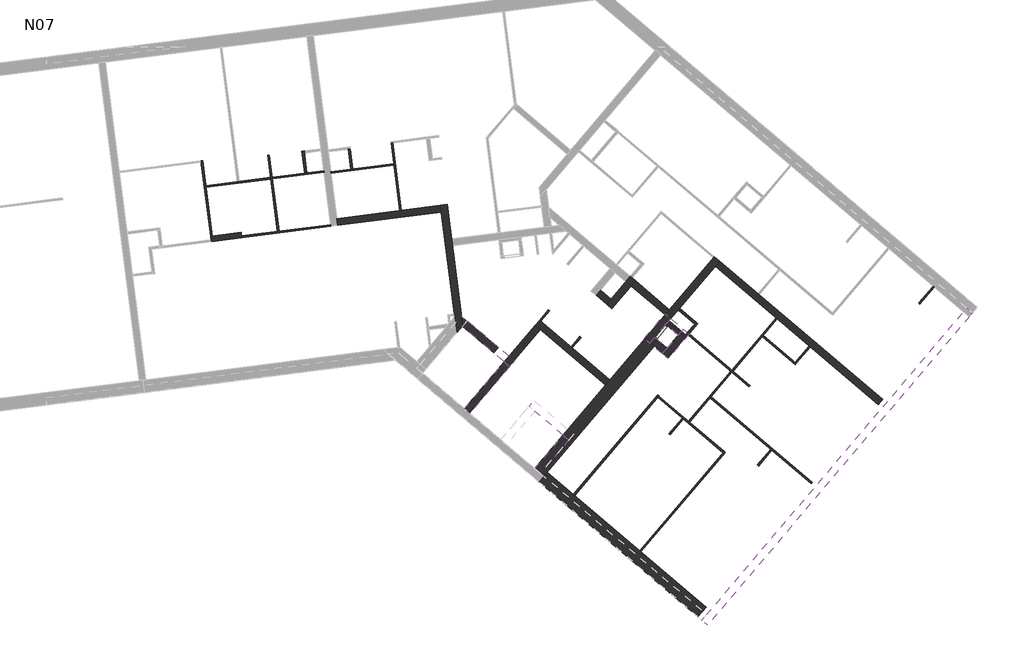
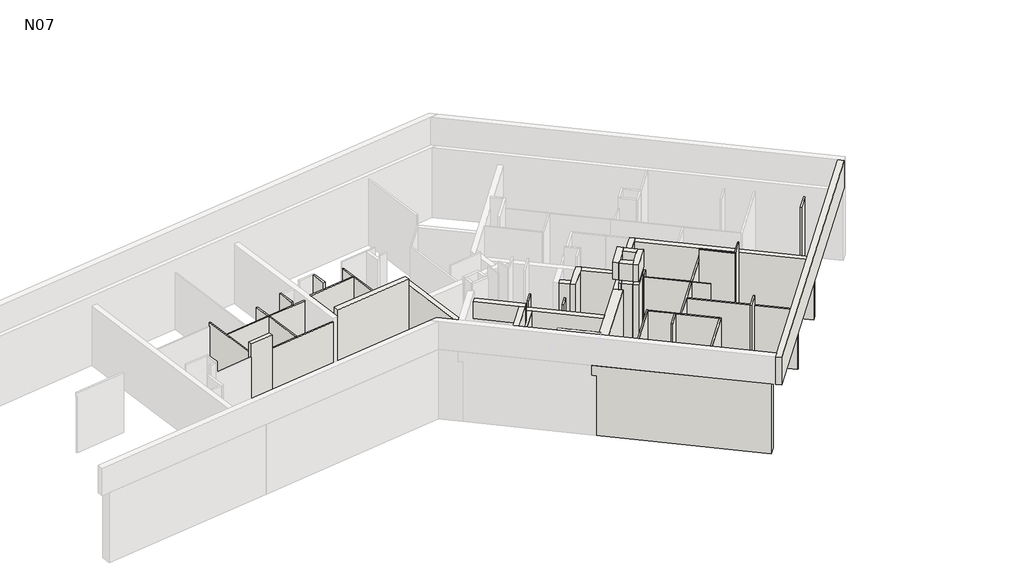
# One storey, part 2 of 3: 50 walls.
"""IFC4 building model written with IfcOpenShell, lengths in millimetres."""

from ifc_helpers import new_model, si_unit, frame, origin, place, context, project, spatial, polyline, outline, extrude, faceted_brep, element, save

model = new_model("IFC4")

# Units and contexts
model_context = context("Model", 3, world=origin())
ifc_project = project(units=[si_unit("LENGTHUNIT", "METRE", prefix="MILLI")], contexts=[model_context])

# Site, building, storey
site = spatial("IfcSite", under=ifc_project)
building = spatial("IfcBuilding", under=site)
storey = spatial("IfcBuildingStorey", under=building, Name="N07", Elevation=19690.0)

# Walls
placement = place(None, origin())
element("IfcWall", 1, at=placement, inside=storey, context=model_context, shape_type="Brep", body=[
    faceted_brep([(15215.3544939, 6653.9636162, 19690.0), (11367.5193396, 9919.5978659, 19690.0), (11329.3978147, 9951.9513718, 19690.0), (10566.9673175, 10599.0214892, 19690.0), (10566.9673175, 10599.0214892, 22190.0), (10433.5419804, 10712.2587597, 22190.0), (10433.5419804, 10712.2587597, 22610.0), (15215.3544939, 6653.9636162, 22610.0), (10327.551374, 10316.9222052, 19690.0), (14975.9385505, 6371.8643322, 19690.0), (14975.9385505, 6371.8643322, 22610.0), (10194.126037, 10430.1594757, 22610.0), (10194.126037, 10430.1594757, 22190.0), (10327.551374, 10316.9222052, 22190.0), (10469.9067999, 10484.6569146, 19690.0), (10336.4814628, 10597.8941851, 22610.0), (10336.4814628, 10597.8941851, 22190.0), (10469.9067999, 10484.6569146, 22190.0)], [[[0, 1, 2, 3, 4, 5, 6, 7]], [[8, 9, 10, 11, 12, 13]], [[3, 2, 1, 0, 9, 8, 14]], [[7, 6, 15, 11, 10]], [[11, 15, 6, 5, 16, 12]], [[4, 3, 14, 8, 13, 17]], [[12, 16, 5, 4, 17, 13]], [[0, 7, 10, 9]]]),
])
element("IfcWall", 2, at=placement, inside=storey, context=model_context, shape_type="Brep", body=[
    faceted_brep([(7448.5900764, 18403.1253969, 19690.0), (7473.9455369, 18204.7391559, 19690.0), (7854.1474738, 15229.9624634, 19690.0), (7860.4863389, 15180.3659032, 19690.0), (7865.2890942, 15142.7881766, 19690.0), (7925.3724793, 14672.6836444, 19690.0), (7925.3724793, 14672.6836444, 22190.0), (7865.2890942, 15142.7881766, 22190.0), (7448.5900764, 18403.1253969, 22190.0), (7646.9763174, 18428.4808575, 19690.0), (7646.9763174, 18428.4808575, 22190.0), (7775.7214118, 17421.1532528, 22190.0), (7801.0768724, 17222.7670118, 22190.0), (8100.609629, 14879.1622679, 22190.0), (8100.609629, 14879.1622679, 19690.0), (7801.0768724, 17222.7670118, 19690.0), (7775.7214118, 17421.1532528, 19690.0)], [[[0, 1, 2, 3, 4, 5, 6, 7, 8]], [[9, 10, 11, 12, 13, 14, 15, 16]], [[5, 4, 3, 2, 1, 0, 9, 16, 15, 14]], [[8, 7, 6, 13, 12, 11, 10]], [[0, 8, 10, 9]], [[5, 14, 13, 6]]]),
])
element("IfcWall", 3, at=placement, inside=storey, context=model_context, shape_type="Brep", body=[
    faceted_brep([(10469.9067999, 10484.6569146, 19690.0), (10566.9673175, 10599.0214892, 19690.0), (13700.7356476, 14291.4815212, 19690.0), (13700.7356476, 14291.4815212, 22190.0), (10566.9673175, 10599.0214892, 22190.0), (10469.9067999, 10484.6569146, 22190.0), (13433.8849736, 14517.9560622, 19690.0), (12403.0945249, 13303.3951464, 19690.0), (12273.6805015, 13150.909047, 19690.0), (10203.0561258, 10711.1314557, 19690.0), (10203.0561258, 10711.1314557, 22190.0), (12273.6805015, 13150.909047, 22190.0), (12403.0945249, 13303.3951464, 22190.0), (13433.8849736, 14517.9560622, 22190.0), (13586.371073, 14388.5420388, 19690.0), (13647.3655128, 14336.7764294, 19690.0), (13586.371073, 14388.5420388, 22190.0), (10336.4814628, 10597.8941851, 22190.0)], [[[0, 1, 2, 3, 4, 5]], [[6, 7, 8, 9, 10, 11, 12, 13]], [[2, 1, 0, 9, 8, 7, 6, 14, 15]], [[5, 4, 3, 16, 13, 12, 11, 10, 17]], [[0, 5, 17, 10, 9]], [[3, 2, 15, 14, 6, 13, 16]]]),
])
element("IfcWall", 4, at=placement, inside=storey, context=model_context, shape_type="Brep", body=[
    faceted_brep([(13586.371073, 14388.5420388, 19690.0), (14039.3201552, 14922.2433869, 19690.0), (14091.0857646, 14983.2378266, 19690.0), (14136.3806728, 15036.6079614, 19690.0), (14395.2087198, 15341.5801604, 19690.0), (14440.503628, 15394.9502952, 19690.0), (15481.5822592, 16621.6335821, 19690.0), (15610.9962826, 16774.1196816, 19690.0), (15610.9962826, 16774.1196816, 22190.0), (15481.5822592, 16621.6335821, 22190.0), (14440.503628, 15394.9502952, 22190.0), (14395.2087198, 15341.5801604, 22190.0), (14136.3806728, 15036.6079614, 22190.0), (14091.0857646, 14983.2378266, 22190.0), (13586.371073, 14388.5420388, 22190.0), (13433.8849736, 14517.9560622, 19690.0), (13433.8849736, 14517.9560622, 22190.0), (14014.2991172, 15201.8470847, 22190.0), (14143.7131407, 15354.3331841, 22190.0), (15426.1566773, 16865.4121802, 22190.0), (15458.5101832, 16903.533705, 22190.0), (15458.5101832, 16903.533705, 19690.0), (15426.1566773, 16865.4121802, 19690.0), (14143.7131407, 15354.3331841, 19690.0), (14014.2991172, 15201.8470847, 19690.0)], [[[0, 1, 2, 3, 4, 5, 6, 7, 8, 9, 10, 11, 12, 13, 14]], [[15, 16, 17, 18, 19, 20, 21, 22, 23, 24]], [[7, 6, 5, 4, 3, 2, 1, 0, 15, 24, 23, 22, 21]], [[14, 13, 12, 11, 10, 9, 8, 20, 19, 18, 17, 16]], [[0, 14, 16, 15]], [[8, 7, 21, 20]]]),
])
element("IfcWall", 5, at=placement, inside=storey, context=model_context, shape_type="Brep", body=[
    faceted_brep([(20373.7480337, 12732.0012909, 19690.0), (16767.330468, 15792.7459043, 19690.0), (16729.2089431, 15825.0994101, 19690.0), (15610.9962826, 16774.1196816, 19690.0), (15610.9962826, 16774.1196816, 22190.0), (16729.2089431, 15825.0994101, 22190.0), (16767.330468, 15792.7459043, 22190.0), (20373.7480337, 12732.0012909, 22190.0), (15481.5822592, 16621.6335821, 19690.0), (17258.0453178, 15113.9602086, 19690.0), (17296.1668427, 15081.6067027, 19690.0), (18223.8931924, 14294.2510025, 19690.0), (18262.0147173, 14261.8974967, 19690.0), (20244.3340102, 12579.5151915, 19690.0), (20244.3340102, 12579.5151915, 22190.0), (17296.1668427, 15081.6067027, 22190.0), (17258.0453178, 15113.9602086, 22190.0), (15481.5822592, 16621.6335821, 22190.0)], [[[0, 1, 2, 3, 4, 5, 6, 7]], [[8, 9, 10, 11, 12, 13, 14, 15, 16, 17]], [[3, 2, 1, 0, 13, 12, 11, 10, 9, 8]], [[7, 6, 5, 4, 17, 16, 15, 14]], [[0, 7, 14, 13]], [[4, 3, 8, 17]]]),
])
element("IfcWall", 6, at=placement, inside=storey, context=model_context, shape_type="SweptSolid", body=[
    extrude(outline(polyline([(13150.4986542, 16197.2682669), (14143.7131407, 15354.3331841), (14014.2991172, 15201.8470847), (13021.0846307, 16044.7821675), (13150.4986542, 16197.2682669)])), frame((0.0, 0.0, 19690.0), z_axis=(0.0, 0.0, 1.0), x_axis=(1.0, 0.0, 0.0)), (0.0, 0.0, 1.0), 2500.0),
])
element("IfcWall", 7, at=placement, inside=storey, context=model_context, shape_type="Brep", body=[
    faceted_brep([(12403.0945249, 13303.3951464, 19690.0), (11305.1946088, 14235.1761155, 19690.0), (11267.073084, 14267.5296214, 19690.0), (10382.6537071, 15018.1309575, 19690.0), (10344.5321823, 15050.4844634, 19690.0), (10344.5321823, 15050.4844634, 22190.0), (12403.0945249, 13303.3951464, 22190.0), (12273.6805015, 13150.909047, 19690.0), (12273.6805015, 13150.909047, 22190.0), (10367.6042582, 14768.5843405, 22190.0), (10215.1181588, 14897.9983639, 22190.0), (10215.1181588, 14897.9983639, 19690.0), (10367.6042582, 14768.5843405, 19690.0)], [[[0, 1, 2, 3, 4, 5, 6]], [[7, 8, 9, 10, 11, 12]], [[4, 3, 2, 1, 0, 7, 12, 11]], [[6, 5, 10, 9, 8]], [[5, 4, 11, 10]], [[0, 6, 8, 7]]]),
])
element("IfcWall", 8, at=placement, inside=storey, context=model_context, shape_type="SweptSolid", body=[
    extrude(outline(polyline([(8144.4937831, 12458.2207726), (10215.1181588, 14897.9983639), (10367.6042582, 14768.5843405), (8296.9798826, 12328.8067492), (8144.4937831, 12458.2207726)])), frame((0.0, 0.0, 19690.0), z_axis=(0.0, 0.0, 1.0), x_axis=(1.0, 0.0, 0.0)), (0.0, 0.0, 1.0), 2500.0),
])
element("IfcWall", 9, at=placement, inside=storey, context=model_context, shape_type="SweptSolid", body=[
    extrude(outline(polyline([(9004.2649387, 14089.4091654), (8089.348342, 14865.8933062), (8100.609629, 14879.1622679), (8066.276266, 15147.7934292), (9133.6789622, 14241.8952648), (9004.2649387, 14089.4091654)])), frame((0.0, 0.0, 19690.0), z_axis=(0.0, 0.0, 1.0), x_axis=(1.0, 0.0, 0.0)), (0.0, 0.0, 1.0), 2500.0),
])
element("IfcWall", 10, at=placement, inside=storey, context=model_context, shape_type="Brep", body=[
    faceted_brep([(22836.6383284, 15402.1642697, 22610.0), (15232.6585509, 6442.538524, 22610.0), (15090.3031251, 6274.8038146, 22610.0), (15090.3031251, 6274.8038146, 23770.0), (15232.6585509, 6442.538524, 23770.0), (22836.6383284, 15402.1642697, 23770.0), (23004.3730378, 15259.8088439, 22610.0), (23004.3730378, 15259.8088439, 23770.0), (15258.0378345, 6132.4483887, 23770.0), (15258.0378345, 6132.4483887, 22610.0), (22907.3125202, 15145.4442693, 22610.0)], [[[0, 1, 2, 3, 4, 5]], [[6, 7, 8, 9, 10]], [[2, 1, 0, 6, 10, 9]], [[5, 4, 3, 8, 7]], [[0, 5, 7, 6]], [[3, 2, 9, 8]]]),
])
element("IfcWall", 11, at=placement, inside=storey, context=model_context, shape_type="Brep", body=[
    faceted_brep([(4446.7042459, 17817.8317941, 19690.0), (7473.9455369, 18204.7391559, 19690.0), (7473.9455369, 18204.7391559, 22460.0), (4446.7042459, 17817.8317941, 22460.0), (4446.7042459, 17817.8317941, 22190.0), (4421.3487853, 18016.2180351, 19690.0), (4421.3487853, 18016.2180351, 22460.0), (7448.5900764, 18403.1253969, 22460.0), (7448.5900764, 18403.1253969, 22190.0), (7448.5900764, 18403.1253969, 19690.0)], [[[0, 1, 2, 3, 4]], [[5, 6, 7, 8, 9]], [[1, 0, 5, 9]], [[3, 2, 7, 6]], [[0, 4, 3, 6, 5]], [[2, 1, 9, 8, 7]]]),
])
element("IfcWall", 12, at=placement, inside=storey, context=model_context, shape_type="Brep", body=[
    faceted_brep([(14457.0524033, 14672.6441703, 19690.0), (14091.0857646, 14983.2378266, 19690.0), (14091.0857646, 14983.2378266, 22460.0), (14457.0524033, 14672.6441703, 22460.0), (14405.2867939, 14611.6497305, 19690.0), (14405.2867939, 14611.6497305, 22460.0), (14100.314595, 14870.4777775, 22460.0), (14039.3201552, 14922.2433869, 22460.0), (14039.3201552, 14922.2433869, 19690.0), (14100.314595, 14870.4777775, 19690.0)], [[[0, 1, 2, 3]], [[4, 5, 6, 7, 8, 9]], [[1, 0, 4, 9, 8]], [[3, 2, 7, 6, 5]], [[0, 3, 5, 4]], [[2, 1, 8, 7]]]),
])
element("IfcWall", 13, at=placement, inside=storey, context=model_context, shape_type="Brep", body=[
    faceted_brep([(14039.3201552, 14922.2433869, 19690.0), (13586.371073, 14388.5420388, 19690.0), (13586.371073, 14388.5420388, 22460.0), (14039.3201552, 14922.2433869, 22460.0), (14019.9080517, 14899.3704719, 21190.0), (13728.7264989, 14556.2767482, 21190.0), (13728.7264989, 14556.2767482, 20190.0), (14019.9080517, 14899.3704719, 20190.0), (13647.3655128, 14336.7764294, 22460.0), (13647.3655128, 14336.7764294, 19690.0), (13776.7795363, 14489.2625288, 19690.0), (14100.314595, 14870.4777775, 19690.0), (14100.314595, 14870.4777775, 22460.0), (13776.7795363, 14489.2625288, 22460.0), (13789.7209386, 14504.5111388, 21190.0), (14080.9024915, 14847.6048625, 21190.0), (14080.9024915, 14847.6048625, 20190.0), (13789.7209386, 14504.5111388, 20190.0)], [[[0, 1, 2, 3], [4, 5, 6, 7]], [[8, 9, 10, 11, 12, 13], [14, 15, 16, 17]], [[1, 0, 11, 10, 9]], [[3, 2, 8, 13, 12]], [[4, 15, 14, 5]], [[6, 17, 16, 7]], [[15, 4, 7, 16]], [[5, 14, 17, 6]], [[0, 3, 12, 11]], [[1, 9, 8, 2]]]),
])
element("IfcWall", 14, at=placement, inside=storey, context=model_context, shape_type="Brep", body=[
    faceted_brep([(13952.3377117, 14077.9483824, 22460.0), (13647.3655128, 14336.7764294, 22460.0), (13647.3655128, 14336.7764294, 22190.0), (13647.3655128, 14336.7764294, 19690.0), (13700.7356476, 14291.4815212, 19690.0), (13952.3377117, 14077.9483824, 19690.0), (14081.7517352, 14230.4344819, 19690.0), (13776.7795363, 14489.2625288, 19690.0), (13776.7795363, 14489.2625288, 22460.0), (14081.7517352, 14230.4344819, 22460.0)], [[[0, 1, 2, 3, 4, 5]], [[6, 7, 8, 9]], [[7, 6, 5, 4, 3]], [[1, 0, 9, 8]], [[0, 5, 6, 9]], [[1, 8, 7, 3, 2]]]),
])
element("IfcWall", 15, at=placement, inside=storey, context=model_context, shape_type="Brep", body=[
    faceted_brep([(14104.8238112, 13948.5343589, 19690.0), (14609.5385027, 14543.2301468, 19690.0), (14609.5385027, 14543.2301468, 22460.0), (14104.8238112, 13948.5343589, 22460.0), (13952.3377117, 14077.9483824, 19690.0), (13952.3377117, 14077.9483824, 22460.0), (14081.7517352, 14230.4344819, 22460.0), (14405.2867939, 14611.6497305, 22460.0), (14457.0524033, 14672.6441703, 22460.0), (14457.0524033, 14672.6441703, 19690.0), (14405.2867939, 14611.6497305, 19690.0), (14081.7517352, 14230.4344819, 19690.0)], [[[0, 1, 2, 3]], [[4, 5, 6, 7, 8, 9, 10, 11]], [[1, 0, 4, 11, 10, 9]], [[3, 2, 8, 7, 6, 5]], [[2, 1, 9, 8]], [[0, 3, 5, 4]]]),
])
element("IfcWall", 16, at=placement, inside=storey, context=model_context, shape_type="Brep", body=[
    faceted_brep([(8089.4820229, 14866.0508199, 22610.0), (9309.3536754, 13830.7531814, 22610.0), (9477.0883848, 13688.3977556, 22610.0), (9477.0883848, 13688.3977556, 23320.0), (9309.3536754, 13830.7531814, 23320.0), (8089.4820229, 14866.0508199, 23320.0), (8231.8374488, 15033.7855293, 22610.0), (8231.8374488, 15033.7855293, 23320.0), (9619.4438106, 13856.132465, 23320.0), (9619.4438106, 13856.132465, 22610.0)], [[[0, 1, 2, 3, 4, 5]], [[6, 7, 8, 9]], [[2, 1, 0, 6, 9]], [[5, 4, 3, 8, 7]], [[0, 5, 7, 6]], [[3, 2, 9, 8]]]),
])
element("IfcWall", 17, at=placement, inside=storey, context=model_context, shape_type="SweptSolid", body=[
    extrude(outline(polyline([(9477.0883848, 13688.3977556), (8312.2284926, 12315.8653468), (8144.4937832, 12458.2207726), (9309.3536754, 13830.7531814), (9477.0883848, 13688.3977556)])), frame((0.0, 0.0, 22610.0), z_axis=(0.0, 0.0, 1.0), x_axis=(1.0, 0.0, 0.0)), (0.0, 0.0, 1.0), 710.0),
])
element("IfcWall", 18, at=placement, inside=storey, context=model_context, shape_type="Brep", body=[
    faceted_brep([(10040.1439404, 12528.2334197, 22610.0), (11031.3117583, 11687.0494232, 22610.0), (11199.0476442, 11544.6953835, 22610.0), (11199.0476442, 11544.6953835, 22800.0), (11031.3117583, 11687.0494232, 22800.0), (10207.8798263, 12385.8793801, 22800.0), (10040.1439404, 12528.2334197, 22800.0), (10182.4979801, 12695.9693055, 22610.0), (10182.4979801, 12695.9693055, 22800.0), (11341.40307, 11712.4300929, 22800.0), (11341.40307, 11712.4300929, 22610.0)], [[[0, 1, 2, 3, 4, 5, 6]], [[7, 8, 9, 10]], [[2, 1, 0, 7, 10]], [[3, 2, 10, 9]], [[0, 6, 8, 7]], [[6, 5, 4, 3, 9, 8]]]),
])
element("IfcWall", 19, at=placement, inside=storey, context=model_context, shape_type="SweptSolid", body=[
    extrude(outline(polyline([(10203.0561258, 10711.1314557), (11031.3117583, 11687.0494232), (11199.0476442, 11544.6953835), (10370.7908352, 10568.7760299), (10203.0561258, 10711.1314557)])), frame((0.0, 0.0, 22610.0), z_axis=(0.0, 0.0, 1.0), x_axis=(1.0, 0.0, 0.0)), (0.0, 0.0, 1.0), 190.0),
])
element("IfcWall", 20, at=placement, inside=storey, context=model_context, shape_type="Brep", body=[
    faceted_brep([(13573.4296707, 14373.2934288, 22610.0), (13715.7850965, 14541.0281382, 22610.0), (14039.3201552, 14922.2433869, 22610.0), (14181.675581, 15089.9780963, 22610.0), (14181.675581, 15089.9780963, 23320.0), (14039.3201552, 14922.2433869, 23320.0), (13715.7850965, 14541.0281382, 23320.0), (13573.4296707, 14373.2934288, 23320.0), (13405.6949613, 14515.6488546, 22610.0), (13405.6949613, 14515.6488546, 23320.0), (14013.9408716, 15232.3335221, 23320.0), (14013.9408716, 15232.3335221, 22610.0)], [[[0, 1, 2, 3, 4, 5, 6, 7]], [[8, 9, 10, 11]], [[3, 2, 1, 0, 8, 11]], [[7, 6, 5, 4, 10, 9]], [[4, 3, 11, 10]], [[0, 7, 9, 8]]]),
])
element("IfcWall", 21, at=placement, inside=storey, context=model_context, shape_type="SweptSolid", body=[
    extrude(outline(polyline([(14405.2867939, 14611.6497305), (14039.3201552, 14922.2433869), (14181.675581, 15089.9780963), (14547.6422197, 14779.3844399), (14405.2867939, 14611.6497305)])), frame((0.0, 0.0, 22610.0), z_axis=(0.0, 0.0, 1.0), x_axis=(1.0, 0.0, 0.0)), (0.0, 0.0, 1.0), 710.0),
])
element("IfcWall", 22, at=placement, inside=storey, context=model_context, shape_type="Brep", body=[
    faceted_brep([(14547.6422197, 14779.3844399, 22610.0), (14405.2867939, 14611.6497305, 22610.0), (14081.7517352, 14230.4344819, 22610.0), (13939.3963094, 14062.6997725, 22610.0), (13939.3963094, 14062.6997725, 23320.0), (14081.7517352, 14230.4344819, 23320.0), (14405.2867939, 14611.6497305, 23320.0), (14547.6422197, 14779.3844399, 23320.0), (14715.3769291, 14637.0290141, 22610.0), (14715.3769291, 14637.0290141, 23320.0), (14107.1310188, 13920.3443466, 23320.0), (14107.1310188, 13920.3443466, 22610.0)], [[[0, 1, 2, 3, 4, 5, 6, 7]], [[8, 9, 10, 11]], [[3, 2, 1, 0, 8, 11]], [[7, 6, 5, 4, 10, 9]], [[0, 7, 9, 8]], [[4, 3, 11, 10]]]),
])
element("IfcWall", 23, at=placement, inside=storey, context=model_context, shape_type="SweptSolid", body=[
    extrude(outline(polyline([(13715.7850965, 14541.0281382), (14081.7517352, 14230.4344819), (13939.3963094, 14062.6997725), (13573.4296707, 14373.2934288), (13715.7850965, 14541.0281382)])), frame((0.0, 0.0, 22610.0), z_axis=(0.0, 0.0, 1.0), x_axis=(1.0, 0.0, 0.0)), (0.0, 0.0, 1.0), 710.0),
])
element("IfcWall", 24, at=placement, inside=storey, context=model_context, shape_type="Brep", body=[
    faceted_brep([(12998.0125548, 16326.6822904, 19690.0), (12868.5985313, 16174.196191, 19690.0), (12435.0615526, 15663.3677578, 19690.0), (12305.6475292, 15510.8816583, 19690.0), (12305.6475292, 15510.8816583, 22190.0), (12435.0615526, 15663.3677578, 22190.0), (12868.5985313, 16174.196191, 22190.0), (12998.0125548, 16326.6822904, 22190.0), (13150.4986542, 16197.2682669, 19690.0), (13150.4986542, 16197.2682669, 22190.0), (13021.0846307, 16044.7821675, 22190.0), (12458.1336286, 15381.4676348, 22190.0), (12458.1336286, 15381.4676348, 19690.0), (13021.0846307, 16044.7821675, 19690.0), (13051.3826896, 16281.3873822, 19690.0)], [[[0, 1, 2, 3, 4, 5, 6, 7]], [[8, 9, 10, 11, 12, 13]], [[3, 2, 1, 0, 14, 8, 13, 12]], [[7, 6, 5, 4, 11, 10, 9]], [[4, 3, 12, 11]], [[0, 7, 9, 8, 14]]]),
])
element("IfcWall", 25, at=placement, inside=storey, context=model_context, shape_type="SweptSolid", body=[
    extrude(outline(polyline([(12305.6475292, 15510.8816583), (12000.6753302, 15769.7097053), (12130.0893537, 15922.1958047), (12435.0615526, 15663.3677578), (12305.6475292, 15510.8816583)])), frame((0.0, 0.0, 19690.0), z_axis=(0.0, 0.0, 1.0), x_axis=(1.0, 0.0, 0.0)), (0.0, 0.0, 1.0), 2500.0),
])
element("IfcWall", 26, ObjectType="CLO 5", at=placement, inside=storey, context=model_context, shape_type="Brep", body=[
    faceted_brep([(18316.0650604, 10307.4723096, 19690.0), (15367.8978929, 12809.5638208, 19690.0), (15367.8978929, 12809.5638208, 21790.0), (15367.8978929, 12809.5638208, 22190.0), (18316.0650604, 10307.4723096, 22190.0), (18283.7115545, 10269.3507847, 19690.0), (18283.7115545, 10269.3507847, 22190.0), (15335.544387, 12771.442296, 22190.0), (15335.544387, 12771.442296, 21790.0), (15335.544387, 12771.442296, 19690.0), (17101.9442837, 11272.3094667, 19690.0), (17140.0658086, 11239.9559608, 19690.0)], [[[0, 1, 2, 3, 4]], [[5, 6, 7, 8, 9, 10, 11]], [[1, 0, 5, 11, 10, 9]], [[4, 3, 7, 6]], [[0, 4, 6, 5]], [[3, 2, 1, 9, 8, 7]]]),
])
element("IfcWall", 27, ObjectType="CLO 5", at=placement, inside=storey, context=model_context, shape_type="Brep", body=[
    faceted_brep([(13309.2782507, 8271.6389096, 19690.0), (15775.8601022, 11177.9657157, 19690.0), (15775.8601022, 11177.9657157, 22190.0), (13309.2782507, 8271.6389096, 22190.0), (13271.1567259, 8303.9924155, 19690.0), (13271.1567259, 8303.9924155, 22190.0), (15705.3850714, 11172.1976967, 22190.0), (15737.7385773, 11210.3192216, 22190.0), (15737.7385773, 11210.3192216, 19690.0), (15705.3850714, 11172.1976967, 19690.0)], [[[0, 1, 2, 3]], [[4, 5, 6, 7, 8, 9]], [[1, 0, 4, 9, 8]], [[3, 2, 7, 6, 5]], [[0, 3, 5, 4]], [[2, 1, 8, 7]]]),
])
element("IfcWall", 28, ObjectType="CLO 5", at=placement, inside=storey, context=model_context, shape_type="Brep", body=[
    faceted_brep([(15737.7385773, 11210.3192216, 19690.0), (14733.7691778, 12062.3819335, 19690.0), (14695.647653, 12094.7354394, 19690.0), (13834.101191, 12825.924672, 19690.0), (13834.101191, 12825.924672, 22190.0), (14695.647653, 12094.7354394, 22190.0), (14733.7691778, 12062.3819335, 22190.0), (15737.7385773, 11210.3192216, 22190.0), (15705.3850714, 11172.1976967, 19690.0), (15705.3850714, 11172.1976967, 22190.0), (14548.9295725, 12153.6744321, 22190.0), (14510.8080476, 12186.027938, 22190.0), (13801.7476852, 12787.8031472, 22190.0), (13801.7476852, 12787.8031472, 19690.0), (14510.8080476, 12186.027938, 19690.0), (14548.9295725, 12153.6744321, 19690.0)], [[[0, 1, 2, 3, 4, 5, 6, 7]], [[8, 9, 10, 11, 12, 13, 14, 15]], [[3, 2, 1, 0, 8, 15, 14, 13]], [[7, 6, 5, 4, 12, 11, 10, 9]], [[4, 3, 13, 12]], [[0, 7, 9, 8]]]),
])
element("IfcWall", 29, ObjectType="CLO 5", at=placement, inside=storey, context=model_context, shape_type="Brep", body=[
    faceted_brep([(14688.7898666, 14605.7019805, 19690.0), (15931.5515772, 13550.9776892, 19690.0), (15969.673102, 13518.6241833, 19690.0), (16465.2529253, 13098.028607, 19690.0), (16465.2529253, 13098.028607, 22190.0), (15969.673102, 13518.6241833, 22190.0), (15931.5515772, 13550.9776892, 22190.0), (14688.7898666, 14605.7019805, 22190.0), (14721.1433725, 14643.8235054, 19690.0), (14721.1433725, 14643.8235054, 22190.0), (15963.9050831, 13589.099214, 22190.0), (16002.0266079, 13556.7457082, 22190.0), (16497.6064312, 13136.1501319, 22190.0), (16497.6064312, 13136.1501319, 19690.0), (16002.0266079, 13556.7457082, 19690.0), (15963.9050831, 13589.099214, 19690.0)], [[[0, 1, 2, 3, 4, 5, 6, 7]], [[8, 9, 10, 11, 12, 13, 14, 15]], [[3, 2, 1, 0, 8, 15, 14, 13]], [[4, 3, 13, 12]], [[7, 6, 5, 4, 12, 11, 10, 9]], [[0, 7, 9, 8]]]),
])
element("IfcWall", 30, ObjectType="CLO 5", at=placement, inside=storey, context=model_context, shape_type="Brep", body=[
    faceted_brep([(13807.3122136, 12871.6311044, 19690.0), (11329.3978147, 9951.9513718, 19690.0), (11329.3978147, 9951.9513718, 22190.0), (13807.3122136, 12871.6311044, 22190.0), (13845.4337384, 12839.2775985, 19690.0), (13845.4337384, 12839.2775985, 22190.0), (13834.101191, 12825.924672, 22190.0), (13801.7476852, 12787.8031472, 22190.0), (11367.5193396, 9919.5978659, 22190.0), (11367.5193396, 9919.5978659, 19690.0), (13801.7476852, 12787.8031472, 19690.0), (13834.101191, 12825.924672, 19690.0)], [[[0, 1, 2, 3]], [[4, 5, 6, 7, 8, 9, 10, 11]], [[1, 0, 4, 11, 10, 9]], [[3, 2, 8, 7, 6, 5]], [[0, 3, 5, 4]], [[2, 1, 9, 8]]]),
])
element("IfcWall", 31, ObjectType="CLO 5", at=placement, inside=storey, context=model_context, shape_type="Brep", body=[
    faceted_brep([(14733.7691778, 12062.3819335, 22190.0), (14733.7691778, 12062.3819335, 19690.0), (15335.544387, 12771.442296, 19690.0), (15367.8978929, 12809.5638208, 19690.0), (15969.673102, 13518.6241833, 19690.0), (15969.673102, 13518.6241833, 22190.0), (15367.8978929, 12809.5638208, 22190.0), (15335.544387, 12771.442296, 22190.0), (14695.647653, 12094.7354394, 19690.0), (14695.647653, 12094.7354394, 22190.0), (15931.5515772, 13550.9776892, 22190.0), (15931.5515772, 13550.9776892, 19690.0)], [[[0, 1, 2, 3, 4, 5, 6, 7]], [[8, 9, 10, 11]], [[1, 8, 11, 4, 3, 2]], [[9, 0, 7, 6, 5, 10]], [[1, 0, 9, 8]], [[5, 4, 11, 10]]]),
    faceted_brep([(17296.1668427, 15081.6067027, 19690.0), (17296.1668427, 15081.6067027, 22190.0), (16002.0266079, 13556.7457082, 22190.0), (16002.0266079, 13556.7457082, 19690.0), (16856.1591629, 14563.1539646, 19690.0), (16888.5126687, 14601.2754894, 19690.0), (17258.0453178, 15113.9602086, 22190.0), (17258.0453178, 15113.9602086, 19690.0), (15963.9050831, 13589.099214, 19690.0), (15963.9050831, 13589.099214, 22190.0)], [[[0, 1, 2, 3, 4, 5]], [[6, 7, 8, 9]], [[7, 0, 5, 4, 3, 8]], [[1, 6, 9, 2]], [[3, 2, 9, 8]], [[1, 0, 7, 6]]]),
])
element("IfcWall", 32, ObjectType="CLO 5", at=placement, inside=storey, context=model_context, shape_type="Brep", body=[
    faceted_brep([(2400.6659897, 19864.9584277, 19690.0), (2483.0712364, 19220.2031444, 19690.0), (2489.4101016, 19170.6065842, 19690.0), (2684.6471478, 17643.0325284, 19690.0), (2684.6471478, 17643.0325284, 22040.0), (2489.4101016, 19170.6065842, 22040.0), (2483.0712364, 19220.2031444, 22040.0), (2400.6659897, 19864.9584277, 22040.0), (2450.2625499, 19871.2972928, 19690.0), (2450.2625499, 19871.2972928, 22040.0), (2532.6677967, 19226.5420096, 22040.0), (2539.0066618, 19176.9454493, 22040.0), (2734.2437081, 17649.3713936, 22040.0), (2734.2437081, 17649.3713936, 19690.0), (2539.0066618, 19176.9454493, 19690.0), (2532.6677967, 19226.5420096, 19690.0)], [[[0, 1, 2, 3, 4, 5, 6, 7]], [[8, 9, 10, 11, 12, 13, 14, 15]], [[3, 2, 1, 0, 8, 15, 14, 13]], [[7, 6, 5, 4, 12, 11, 10, 9]], [[0, 7, 9, 8]], [[4, 3, 13, 12]]]),
])
element("IfcWall", 33, ObjectType="CLO 5", at=placement, inside=storey, context=model_context, shape_type="Brep", body=[
    faceted_brep([(4241.9791397, 17842.0728938, 19690.0), (2734.2437081, 17649.3713936, 19690.0), (2684.6471478, 17643.0325284, 19690.0), (1633.2000705, 17508.6485875, 19690.0), (1633.2000705, 17508.6485875, 22040.0), (2684.6471478, 17643.0325284, 22040.0), (2734.2437081, 17649.3713936, 22040.0), (4241.9791397, 17842.0728938, 22040.0), (4248.3180049, 17792.4763335, 19690.0), (4248.3180049, 17792.4763335, 22040.0), (1639.5389356, 17459.0520273, 22040.0), (1639.5389356, 17459.0520273, 19690.0)], [[[0, 1, 2, 3, 4, 5, 6, 7]], [[8, 9, 10, 11]], [[3, 2, 1, 0, 8, 11]], [[4, 3, 11, 10]], [[7, 6, 5, 4, 10, 9]], [[0, 7, 9, 8]]]),
])
element("IfcWall", 34, ObjectType="CLO 5", at=placement, inside=storey, context=model_context, shape_type="Brep", body=[
    faceted_brep([(4046.7420935, 19369.6469495, 19690.0), (4046.7420935, 19369.6469495, 22040.0), (2539.0066618, 19176.9454493, 22040.0), (2539.0066618, 19176.9454493, 19690.0), (4040.4032283, 19419.2435098, 22040.0), (4040.4032283, 19419.2435098, 19690.0), (3544.4376258, 19355.8548584, 19690.0), (3475.0024415, 19346.9804472, 19690.0), (2532.6677967, 19226.5420096, 19690.0), (2532.6677967, 19226.5420096, 22040.0)], [[[0, 1, 2, 3]], [[4, 5, 6, 7, 8, 9]], [[5, 0, 3, 8, 7, 6]], [[1, 0, 5, 4]], [[1, 4, 9, 2]], [[3, 2, 9, 8]]]),
    faceted_brep([(594.8215, 18928.4619359, 22040.0), (594.8215, 18928.4619359, 21790.0), (594.8215, 18928.4619359, 19690.0), (2489.4101016, 19170.6065842, 19690.0), (2489.4101016, 19170.6065842, 22040.0), (588.4826348, 18978.0584962, 19690.0), (588.4826348, 18978.0584962, 22040.0), (1510.9786555, 19095.9613877, 22040.0), (1560.5752158, 19102.3002529, 22040.0), (2483.0712364, 19220.2031444, 22040.0), (2483.0712364, 19220.2031444, 19690.0), (1560.5752158, 19102.3002529, 19690.0), (1510.9786555, 19095.9613877, 19690.0)], [[[0, 1, 2, 3, 4]], [[5, 6, 7, 8, 9, 10, 11, 12]], [[2, 5, 12, 11, 10, 3]], [[6, 0, 4, 9, 8, 7]], [[4, 3, 10, 9]], [[2, 1, 0, 6, 5]]]),
])
element("IfcWall", 35, ObjectType="CLO 5", at=placement, inside=storey, context=model_context, shape_type="SweptSolid", body=[
    extrude(outline(polyline([(11564.0226558, 14540.1483144), (11305.1946088, 14235.1761155), (11267.073084, 14267.5296214), (11525.9011309, 14572.5018203), (11564.0226558, 14540.1483144)])), frame((0.0, 0.0, 19690.0), z_axis=(0.0, 0.0, 1.0), x_axis=(1.0, 0.0, 0.0)), (0.0, 0.0, 1.0), 2770.0),
])
element("IfcWall", 36, ObjectType="CLO 5", at=placement, inside=storey, context=model_context, shape_type="Brep", body=[
    faceted_brep([(10382.6537071, 15018.1309575, 19690.0), (10641.4817541, 15323.1031564, 19690.0), (10641.4817541, 15323.1031564, 22460.0), (10382.6537071, 15018.1309575, 22460.0), (10344.5321823, 15050.4844634, 19690.0), (10344.5321823, 15050.4844634, 22190.0), (10344.5321823, 15050.4844634, 22460.0), (10603.3602292, 15355.4566623, 22460.0), (10603.3602292, 15355.4566623, 19690.0)], [[[0, 1, 2, 3]], [[4, 5, 6, 7, 8]], [[1, 0, 4, 8]], [[2, 1, 8, 7]], [[3, 2, 7, 6]], [[0, 3, 6, 5, 4]]]),
])
element("IfcWall", 37, ObjectType="CLO 5", at=placement, inside=storey, context=model_context, shape_type="Brep", body=[
    faceted_brep([(445.0708706, 19705.7487227, 19690.0), (451.4097357, 19656.1521625, 19690.0), (726.5164827, 17503.6614476, 19690.0), (726.5164827, 17503.6614476, 22190.0), (445.0708706, 19705.7487227, 22190.0), (445.0708706, 19705.7487227, 22040.0), (776.1130429, 17510.0003127, 22190.0), (776.1130429, 17510.0003127, 19690.0), (594.8215, 18928.4619359, 19690.0), (588.4826348, 18978.0584962, 19690.0), (494.6674308, 19712.0875879, 19690.0), (494.6674308, 19712.0875879, 22190.0)], [[[0, 1, 2, 3, 4, 5]], [[6, 7, 8, 9, 10, 11]], [[2, 1, 0, 10, 9, 8, 7]], [[3, 2, 7, 6]], [[4, 3, 6, 11]], [[0, 5, 4, 11, 10]]]),
])
element("IfcWall", 38, ObjectType="CLO 5", at=placement, inside=storey, context=model_context, shape_type="Brep", body=[
    faceted_brep([(16856.1591629, 14563.1539646, 19690.0), (17822.0070375, 13743.4447585, 19690.0), (17822.0070375, 13743.4447585, 22610.0), (16856.1591629, 14563.1539646, 22610.0), (16888.5126687, 14601.2754894, 19690.0), (16888.5126687, 14601.2754894, 22610.0), (17816.2390185, 13813.9197893, 22610.0), (17854.3605433, 13781.5662834, 22610.0), (17854.3605433, 13781.5662834, 19690.0), (17816.2390185, 13813.9197893, 19690.0)], [[[0, 1, 2, 3]], [[4, 5, 6, 7, 8, 9]], [[1, 0, 4, 9, 8]], [[3, 2, 7, 6, 5]], [[0, 3, 5, 4]], [[2, 1, 8, 7]]]),
])
element("IfcWall", 39, ObjectType="CLO 5", at=placement, inside=storey, context=model_context, shape_type="SweptSolid", body=[
    extrude(outline(polyline([(18262.0147173, 14261.8974967), (17854.3605433, 13781.5662834), (17816.2390185, 13813.9197893), (18223.8931924, 14294.2510025), (18262.0147173, 14261.8974967)])), frame((0.0, 0.0, 19690.0), z_axis=(0.0, 0.0, 1.0), x_axis=(1.0, 0.0, 0.0)), (0.0, 0.0, 1.0), 2920.0),
])
element("IfcWall", 40, ObjectType="CLO 5", at=placement, inside=storey, context=model_context, shape_type="Brep", body=[
    faceted_brep([(4252.0584428, 19340.7798442, 19690.0), (6087.131172, 19575.3178543, 19690.0), (6087.131172, 19575.3178543, 22190.0), (4252.0584428, 19340.7798442, 22190.0), (4245.7195776, 19390.3764045, 19690.0), (4245.7195776, 19390.3764045, 22190.0), (6080.7923069, 19624.9144146, 22190.0), (6080.7923069, 19624.9144146, 19690.0), (4890.4748609, 19472.7816512, 19690.0), (4821.0396765, 19463.9072401, 19690.0)], [[[0, 1, 2, 3]], [[4, 5, 6, 7, 8, 9]], [[1, 0, 4, 9, 8, 7]], [[3, 2, 6, 5]], [[2, 1, 7, 6]], [[0, 3, 5, 4]]]),
])
element("IfcWall", 41, ObjectType="CLO 5", at=placement, inside=storey, context=model_context, shape_type="Brep", body=[
    faceted_brep([(6004.7259253, 20220.0731376, 19690.0), (6080.7923069, 19624.9144146, 19690.0), (6087.131172, 19575.3178543, 19690.0), (6256.4215146, 18250.7560452, 19690.0), (6256.4215146, 18250.7560452, 22190.0), (6087.131172, 19575.3178543, 22190.0), (6080.7923069, 19624.9144146, 22190.0), (6004.7259253, 20220.0731376, 22190.0), (6054.3224855, 20226.4120027, 19690.0), (6054.3224855, 20226.4120027, 22190.0), (6306.0180749, 18257.0949103, 22190.0), (6306.0180749, 18257.0949103, 19690.0)], [[[0, 1, 2, 3, 4, 5, 6, 7]], [[8, 9, 10, 11]], [[3, 2, 1, 0, 8, 11]], [[7, 6, 5, 4, 10, 9]], [[4, 3, 11, 10]], [[0, 7, 9, 8]]]),
])
element("IfcWall", 42, ObjectType="CLO 5", at=placement, inside=storey, context=model_context, shape_type="SweptSolid", body=[
    extrude(outline(polyline([(21885.6556538, 16012.5182266), (21465.0600775, 15516.9384034), (21426.9385527, 15549.2919092), (21847.534129, 16044.8717325), (21885.6556538, 16012.5182266)])), frame((0.0, 0.0, 19690.0), z_axis=(0.0, 0.0, 1.0), x_axis=(1.0, 0.0, 0.0)), (0.0, 0.0, 1.0), 2500.0),
])
element("IfcWall", 43, ObjectType="CLO 5", at=placement, inside=storey, context=model_context, shape_type="SweptSolid", body=[
    extrude(outline(polyline([(17140.0658086, 11239.9559608), (16751.8237382, 10782.4976624), (16713.7022133, 10814.8511683), (17101.9442837, 11272.3094667), (17140.0658086, 11239.9559608)])), frame((0.0, 0.0, 19690.0), z_axis=(0.0, 0.0, 1.0), x_axis=(1.0, 0.0, 0.0)), (0.0, 0.0, 1.0), 2920.0),
])
element("IfcWall", 44, ObjectType="CLO 5", at=placement, inside=storey, context=model_context, shape_type="Brep", body=[
    faceted_brep([(14510.8080476, 12186.027938, 19690.0), (14122.5659772, 11728.5696396, 19690.0), (14122.5659772, 11728.5696396, 22190.0), (14510.8080476, 12186.027938, 22190.0), (14510.8080476, 12186.027938, 21790.0), (14548.9295725, 12153.6744321, 19690.0), (14548.9295725, 12153.6744321, 22190.0), (14160.6875021, 11696.2161337, 22190.0), (14160.6875021, 11696.2161337, 19690.0)], [[[0, 1, 2, 3, 4]], [[5, 6, 7, 8]], [[1, 0, 5, 8]], [[2, 1, 8, 7]], [[3, 2, 7, 6]], [[0, 4, 3, 6, 5]]]),
])
element("IfcWall", 45, ObjectType="CLO 7", at=placement, inside=storey, context=model_context, shape_type="Brep", body=[
    faceted_brep([(14091.0857646, 14983.2378266, 19690.0), (14624.7871127, 14530.2887445, 19690.0), (14624.7871127, 14530.2887445, 22190.0), (14091.0857646, 14983.2378266, 22190.0), (14136.3806728, 15036.6079614, 19690.0), (14136.3806728, 15036.6079614, 22190.0), (14616.7118861, 14628.9537875, 22190.0), (14670.0820209, 14583.6588793, 22190.0), (14670.0820209, 14583.6588793, 19690.0), (14616.7118861, 14628.9537875, 19690.0)], [[[0, 1, 2, 3]], [[4, 5, 6, 7, 8, 9]], [[1, 0, 4, 9, 8]], [[3, 2, 7, 6, 5]], [[2, 1, 8, 7]], [[0, 3, 5, 4]]]),
])
element("IfcWall", 46, ObjectType="CLO 7", at=placement, inside=storey, context=model_context, shape_type="Brep", body=[
    faceted_brep([(14670.0820209, 14583.6588793, 19690.0), (14688.7898666, 14605.7019805, 19690.0), (14721.1433725, 14643.8235054, 19690.0), (14974.2049761, 14942.001213, 19690.0), (14974.2049761, 14942.001213, 22190.0), (14721.1433725, 14643.8235054, 22190.0), (14688.7898666, 14605.7019805, 22190.0), (14670.0820209, 14583.6588793, 22190.0), (14616.7118861, 14628.9537875, 19690.0), (14616.7118861, 14628.9537875, 22190.0), (14875.5399331, 14933.9259864, 22190.0), (14920.8348413, 14987.2961212, 22190.0), (14920.8348413, 14987.2961212, 19690.0), (14875.5399331, 14933.9259864, 19690.0)], [[[0, 1, 2, 3, 4, 5, 6, 7]], [[8, 9, 10, 11, 12, 13]], [[3, 2, 1, 0, 8, 13, 12]], [[7, 6, 5, 4, 11, 10, 9]], [[0, 7, 9, 8]], [[4, 3, 12, 11]]]),
])
element("IfcWall", 47, ObjectType="CLO 7", at=placement, inside=storey, context=model_context, shape_type="SweptSolid", body=[
    extrude(outline(polyline([(14440.503628, 15394.9502952), (14920.8348413, 14987.2961212), (14875.5399331, 14933.9259864), (14395.2087198, 15341.5801604), (14440.503628, 15394.9502952)])), frame((0.0, 0.0, 19690.0), z_axis=(0.0, 0.0, 1.0), x_axis=(1.0, 0.0, 0.0)), (0.0, 0.0, 1.0), 2500.0),
])
element("IfcWall", 48, ObjectType="CLO 7", at=placement, inside=storey, context=model_context, shape_type="Brep", body=[
    faceted_brep([(3544.4376258, 19355.8548584, 19690.0), (3470.9067902, 19931.1749573, 19690.0), (3462.032379, 20000.6101416, 19690.0), (3462.032379, 20000.6101416, 22190.0), (3470.9067902, 19931.1749573, 22190.0), (3544.4376258, 19355.8548584, 22190.0), (3475.0024415, 19346.9804472, 19690.0), (3475.0024415, 19346.9804472, 22190.0), (3392.5971947, 19991.7357304, 22190.0), (3392.5971947, 19991.7357304, 19690.0)], [[[0, 1, 2, 3, 4, 5]], [[6, 7, 8, 9]], [[2, 1, 0, 6, 9]], [[5, 4, 3, 8, 7]], [[3, 2, 9, 8]], [[0, 5, 7, 6]]]),
])
element("IfcWall", 49, ObjectType="CLO 7", at=placement, inside=storey, context=model_context, shape_type="SweptSolid", body=[
    extrude(outline(polyline([(4821.0396765, 19463.9072401), (4747.5088409, 20039.227339), (4816.9440253, 20048.1017502), (4890.4748609, 19472.7816512), (4821.0396765, 19463.9072401)])), frame((0.0, 0.0, 19690.0), z_axis=(0.0, 0.0, 1.0), x_axis=(1.0, 0.0, 0.0)), (0.0, 0.0, 1.0), 2770.0),
])
element("IfcWall", 50, ObjectType="EXT 16 ST", at=placement, inside=storey, context=model_context, shape_type="Brep", body=[
    faceted_brep([(746.8008511, 17344.9524548, 19690.0), (1639.5389356, 17459.0520273, 19690.0), (1639.5389356, 17459.0520273, 22610.0), (746.8008511, 17344.9524548, 22610.0), (726.5164827, 17503.6614476, 19690.0), (726.5164827, 17503.6614476, 22610.0), (1619.2545672, 17617.7610201, 22610.0), (1619.2545672, 17617.7610201, 19690.0), (1633.2000705, 17508.6485875, 19690.0)], [[[0, 1, 2, 3]], [[4, 5, 6, 7]], [[1, 0, 4, 7, 8]], [[2, 1, 8, 7, 6]], [[3, 2, 6, 5]], [[0, 3, 5, 4]]]),
])

save(model, "model.ifc")
